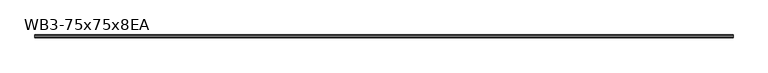
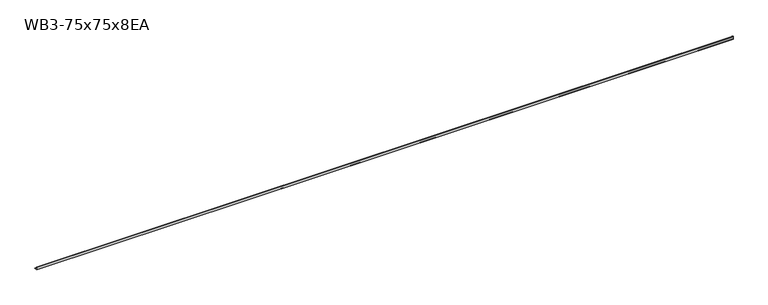
"""IFC4 building model written with IfcOpenShell, lengths in millimetres: beam geometry, WB3-75x75x8EA."""

from ifc_helpers import new_model, si_unit, point, frame, frame_2d, origin, place, context, project, spatial, polyline, circle_curve, trimmed, segment, composite_curve, outline, extrude, source, transform, mapped, element, save


def wb3_75x75x8ea_f2f779e0(model_context):
    return source(origin(), model_context, "Body", "SweptSolid", [
        extrude(outline(composite_curve([segment(polyline([(-21.3, -21.3), (-21.3, 53.7), (-18.3, 53.7)]), True, "CONTINUOUS"), segment(trimmed(circle_curve(frame_2d((-18.3, 48.7)), 5.0), [point((-18.3, 53.7))], [point((-13.3, 48.7))], False, "CARTESIAN"), True, "CONTINUOUS"), segment(polyline([(-13.3, 48.7), (-13.3, -5.3)]), True, "CONTINUOUS"), segment(trimmed(circle_curve(frame_2d((-5.3, -5.3)), 8.0), [point((-13.3, -5.3))], [point((-5.3, -13.3))], True, "CARTESIAN"), True, "CONTINUOUS"), segment(polyline([(-5.3, -13.3), (48.7, -13.3)]), True, "CONTINUOUS"), segment(trimmed(circle_curve(frame_2d((48.7, -18.3)), 5.0), [point((48.7, -13.3))], [point((53.7, -18.3))], False, "CARTESIAN"), True, "CONTINUOUS"), segment(polyline([(53.7, -18.3), (53.7, -21.3), (-21.3, -21.3)]), True, "CONTINUOUS")], self_intersect=False)), frame((-9309.5, 0.0, 0.0), z_axis=(1.0, 0.0, 0.0), x_axis=(0.0, 1.0, 0.0)), (0.0, 0.0, 1.0), 18639.0),
    ])


if __name__ == "__main__":
    model = new_model("IFC4")
    model_context = context("Model", 3, world=origin())
    ifc_project = project(units=[si_unit("LENGTHUNIT", "METRE", prefix="MILLI")], contexts=[model_context])
    site = spatial("IfcSite", under=ifc_project)
    building = spatial("IfcBuilding", under=site)
    placement = place(None, origin())
    wb3_75x75x8ea_shape = wb3_75x75x8ea_f2f779e0(model_context)
    element("IfcBeam", 1, ObjectType="WB3-75x75x8EA", at=placement, inside=building, context=model_context, shape_type="MappedRepresentation", body=[
        mapped(wb3_75x75x8ea_shape, transform((0.0, 0.0, 0.0), x_axis=(1.0, 0.0, 0.0), y_axis=(0.0, 1.0, 0.0), z_axis=(0.0, 0.0, 1.0))),
    ])
    save(model, "model.ifc")
